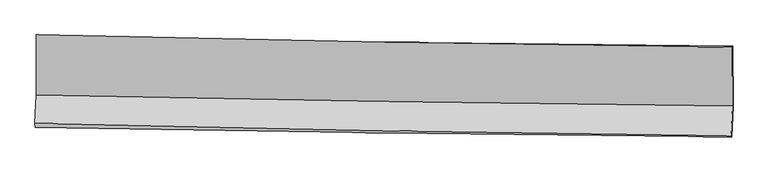
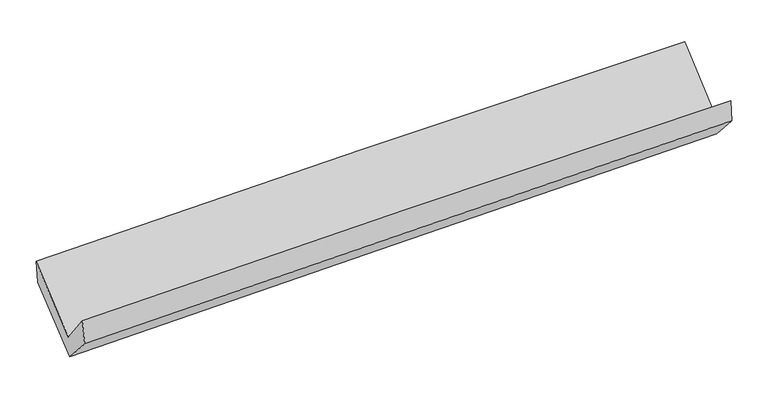
"""IFC4 building model written with IfcOpenShell, lengths in millimetres: proxy geometry."""

from ifc_helpers import new_model, si_unit, frame, origin, place, context, project, spatial, source, transform, mapped, element, save
from ifc_brep_helpers import plane_surface, spline_curve, spline_surface, advanced_brep


def generic_models_f701d5aa(model_context):
    return source(origin(), model_context, "Body", "AdvancedBrep", [
        advanced_brep(
        [(-3014.9981677, -1161.5761414, 2171.2820685), (-3013.6028344, -1683.2646431, 1735.2894573), (3004.403749, -1778.5625675, 1861.2552433), (3002.4997879, -1269.3140908, 2308.2511048), (-3026.2978335, -1931.1092754, 2055.6643093), (2991.2461342, -2035.3391963, 2193.3775651), (-3021.4844491, -1962.4843319, 1842.6751808), (2995.9818818, -2046.1135719, 1998.4951212), (-3009.1692344, -1698.4309619, 1549.1322969), (3008.2970965, -1782.0602019, 1704.9522373), (-3010.2551138, -1176.6318017, 1972.9852837), (3007.2112171, -1260.2610417, 2128.8052242)],
        [
            (0, 1),
            (1, 2, spline_curve(3, [(-3013.6028344, -1683.2646431, 1735.2894573), (-2010.962931833, -1704.132374807, 1767.526537464), (-1008.150259547, -1722.5076495, 1794.142150336), (997.851923854, -1754.273779967, 1836.131096843), (2001.041446519, -1767.664480017, 1851.504079074), (3004.403749, -1778.5625675, 1861.2552433)], [4, 2, 4], [0.0, 9.875524595887914, 19.75135738455826])),
            (2, 3),
            (3, 0, spline_curve(3, [(3002.4997879, -1269.3140908, 2308.2511048), (1999.047634763, -1259.131937331, 2301.525455608), (995.855574718, -1245.062497484, 2286.748240991), (-1009.977061056, -1209.149605087, 2241.091393021), (-2012.6176527, -1187.306395099, 2210.212262416), (-3014.9981677, -1161.5761414, 2171.2820685)], [4, 2, 4], [0.0, 9.875832788670348, 19.75135738455826])),
            (1, 4),
            (4, 5, spline_curve(3, [(-3026.2978335, -1931.1092754, 2055.6643093), (-2023.784844493, -1954.47135425, 2091.092097076), (-1021.074180346, -1974.838131524, 2120.28201362), (984.773796446, -2009.5816254, 2166.186821662), (1987.911121568, -2023.958154879, 2182.901323608), (2991.2461342, -2035.3391963, 2193.3775651)], [4, 2, 4], [0.0, 9.875458072965252, 19.75122433663691])),
            (5, 2),
            (4, 6),
            (6, 7, spline_curve(3, [(-3021.4844491, -1962.4843319, 1842.6751808), (-2018.768195979, -1980.179212172, 1874.213702585), (-1015.962368148, -1995.995676339, 1902.967799487), (989.859736845, -2023.872207036, 1954.907953368), (1992.876018741, -2035.932156239, 1978.093836707), (2995.9818818, -2046.1135719, 1998.4951212)], [4, 2, 4], [0.0, 9.875347623851383, 19.751003434962303])),
            (7, 5),
            (6, 8),
            (8, 9, spline_curve(3, [(-3009.1692344, -1698.4309619, 1549.1322969), (-2006.452981293, -1716.12584235, 1580.670818831), (-1003.647153383, -1731.942306398, 1609.424915585), (1002.174951479, -1759.818836977, 1661.36506967), (2005.191233558, -1771.878786204, 1684.550952749), (3008.2970965, -1782.0602019, 1704.9522373)], [4, 2, 4], [0.0, 9.875344783775665, 19.750997754722235])),
            (9, 7),
            (8, 10),
            (10, 11, spline_curve(3, [(-3010.2551138, -1176.6318017, 1972.9852837), (-2007.538860693, -1194.32668215, 2004.523805631), (-1004.733032783, -1210.143146198, 2033.277902385), (1001.089072079, -1238.019676777, 2085.21805647), (2004.105354158, -1250.079626004, 2108.403939649), (3007.2112171, -1260.2610417, 2128.8052242)], [4, 2, 4], [0.0, 9.875344783775665, 19.750997754722235])),
            (11, 9),
            (10, 0),
            (3, 11),
        ],
        [
            spline_surface(3, 3, [[(-3014.9981677, -1161.5761414, 2171.2820685), (-2012.617652786, -1187.306395165, 2210.212262301), (-1009.977060993, -1209.149605075, 2241.091393031), (995.855574654, -1245.062497496, 2286.748240981), (1999.047634701, -1259.131937374, 2301.525455689), (3002.4997879, -1269.3140908, 2308.2511048)], [(-3014.533056601, -1335.472308617, 2025.951198097), (-2012.066079088, -1359.581721745, 2062.650354063), (-1009.368127211, -1380.268953225, 2092.108312169), (996.521024453, -1414.79959163, 2136.542526211), (1999.712238616, -1428.642784937, 2151.518330185), (3003.1344416, -1439.063583012, 2159.25248432)], [(-3014.067945499, -1509.368475883, 1880.620327703), (-2011.514505385, -1531.857048376, 1915.088445836), (-1008.759193477, -1551.388301397, 1943.125231339), (997.186474204, -1584.536685785, 1986.336811473), (2000.376842532, -1598.153632562, 2001.511204621), (3003.7690953, -1608.813075288, 2010.25386378)], [(-3013.6028344, -1683.2646431, 1735.2894573), (-2010.962931687, -1704.132374956, 1767.526537599), (-1008.150259696, -1722.507649547, 1794.142150477), (997.851924002, -1754.273779919, 1836.131096703), (2001.041446447, -1767.664480125, 1851.504079117), (3004.403749, -1778.5625675, 1861.2552433)]], [4, 4], [4, 2, 4], [0.0, 2.2319889244462354], [0.0, 9.875524595887914, 19.75135738455826]),
            spline_surface(3, 3, [[(-3013.6028344, -1683.2646431, 1735.2894573), (-2010.962931687, -1704.132374956, 1767.526537599), (-1008.150259696, -1722.507649547, 1794.142150477), (997.851924002, -1754.273779919, 1836.131096703), (2001.041446447, -1767.664480125, 1851.504079117), (3004.403749, -1778.5625675, 1861.2552433)], [(-3017.834500773, -1765.879520559, 1842.081074641), (-2015.236902637, -1787.578701374, 1875.381724058), (-1012.458233299, -1806.617810202, 1902.855438212), (993.492548138, -1839.376395089, 1946.149671677), (1996.664671492, -1853.09570511, 1961.969827228), (3000.017877396, -1864.154777117, 1971.962683884)], [(-3022.066167127, -1848.494397941, 1948.872691959), (-2019.510873567, -1871.025027717, 1983.236910492), (-1016.766206803, -1890.727970849, 2011.568725934), (989.133172371, -1924.479010251, 2056.168246638), (1992.287896549, -1938.526930046, 2072.435575388), (2995.632005804, -1949.746986683, 2082.670124516)], [(-3026.2978335, -1931.1092754, 2055.6643093), (-2023.784844516, -1954.471354135, 2091.092096951), (-1021.074180406, -1974.838131504, 2120.282013669), (984.773796507, -2009.58162542, 2166.186821612), (1987.911121594, -2023.958155031, 2182.9013235), (2991.2461342, -2035.3391963, 2193.3775651)]], [4, 4], [4, 2, 4], [0.0, 1.3616134630219237], [0.0, 9.875458072965252, 19.75122433663691]),
            spline_surface(3, 3, [[(-3026.2978335, -1931.1092754, 2055.6643093), (-2023.784844516, -1954.471354135, 2091.092096951), (-1021.074180406, -1974.838131504, 2120.282013669), (984.773796507, -2009.58162542, 2166.186821612), (1987.911121594, -2023.958155031, 2182.9013235), (2991.2461342, -2035.3391963, 2193.3775651)], [(-3024.693372012, -1941.567627542, 1984.667933123), (-2022.112628367, -1963.040640166, 2018.799298861), (-1019.37024291, -1981.890646466, 2047.843942277), (986.469109934, -2014.345152604, 2095.76053222), (1989.566087357, -2027.949488746, 2114.632161264), (2992.824716735, -2038.930654822, 2128.416750479)], [(-3023.088910588, -1952.025979758, 1913.671556977), (-2020.440412282, -1971.609926272, 1946.506500804), (-1017.666305501, -1988.943161434, 1975.405870847), (988.164423274, -2019.108679796, 2025.334242792), (1991.221053116, -2031.940822493, 2046.362998992), (2994.403299265, -2042.522113378, 2063.455935821)], [(-3021.4844491, -1962.4843319, 1842.6751808), (-2018.768196133, -1980.179212304, 1874.213702714), (-1015.962368005, -1995.995676395, 1902.967799454), (989.859736702, -2023.87220698, 1954.907953401), (1992.876018878, -2035.932156207, 1978.093836756), (2995.9818818, -2046.1135719, 1998.4951212)]], [4, 4], [4, 2, 4], [0.0, 0.7056712484194325], [0.0, 9.875347623851383, 19.751003434962303]),
            spline_surface(3, 3, [[(-3021.4844491, -1962.4843319, 1842.6751808), (-2018.768196133, -1980.179212304, 1874.213702714), (-1015.962368005, -1995.995676395, 1902.967799454), (989.859736702, -2023.87220698, 1954.907953401), (1992.876018878, -2035.932156207, 1978.093836756), (2995.9818818, -2046.1135719, 1998.4951212)], [(-3017.37937754, -1874.466541903, 1744.827552846), (-2014.663124573, -1892.161422307, 1776.36607476), (-1011.857296445, -1907.977886398, 1805.1201715), (993.964808262, -1935.854416983, 1857.060325446), (1996.981090438, -1947.914366211, 1880.246208801), (3000.08695336, -1958.095781903, 1900.647493246)], [(-3013.27430596, -1786.448751897, 1646.979924854), (-2010.558052993, -1804.143632301, 1678.518446769), (-1007.752224865, -1819.960096392, 1707.272543608), (998.069879842, -1847.836626977, 1759.212697555), (2001.086162018, -1859.896576204, 1782.39858081), (3004.19202494, -1870.077991897, 1802.799865254)], [(-3009.1692344, -1698.4309619, 1549.1322969), (-2006.452981433, -1716.125842304, 1580.670818814), (-1003.647153305, -1731.942306395, 1609.424915654), (1002.174951402, -1759.81883698, 1661.365069601), (2005.191233578, -1771.878786207, 1684.550952856), (3008.2970965, -1782.0602019, 1704.9522373)]], [4, 4], [4, 2, 4], [0.0, 1.2960076366639708], [0.0, 9.875344783775665, 19.750997754722235]),
            spline_surface(3, 3, [[(-3009.1692344, -1698.4309619, 1549.1322969), (-2006.452981433, -1716.125842304, 1580.670818814), (-1003.647153305, -1731.942306395, 1609.424915654), (1002.174951402, -1759.81883698, 1661.365069601), (2005.191233578, -1771.878786207, 1684.550952856), (3008.2970965, -1782.0602019, 1704.9522373)], [(-3009.531194206, -1524.497908507, 1690.416625849), (-2006.814941239, -1542.192788911, 1721.955147763), (-1004.009113111, -1558.009253002, 1750.709244603), (1001.812991596, -1585.885783587, 1802.64939855), (2004.829273773, -1597.945732814, 1825.835281805), (3007.935136694, -1608.127148507, 1846.236566249)], [(-3009.893153994, -1350.564855093, 1831.700954751), (-2007.176901028, -1368.259735497, 1863.239476666), (-1004.371072899, -1384.076199588, 1891.993573505), (1001.451031807, -1411.952730173, 1943.933727452), (2004.467313984, -1424.0126794, 1967.119610807), (3007.573176906, -1434.194095093, 1987.520895251)], [(-3010.2551138, -1176.6318017, 1972.9852837), (-2007.538860833, -1194.326682104, 2004.523805614), (-1004.733032705, -1210.143146195, 2033.277902454), (1001.089072002, -1238.01967678, 2085.218056401), (2004.105354178, -1250.079626007, 2108.403939756), (3007.2112171, -1260.2610417, 2128.8052242)]], [4, 4], [4, 2, 4], [0.0, 2.2055612972422995], [0.0, 9.875344783775665, 19.750997754722235]),
            spline_surface(3, 3, [[(-3010.2551138, -1176.6318017, 1972.9852837), (-2007.538860833, -1194.326682104, 2004.523805614), (-1004.733032705, -1210.143146195, 2033.277902454), (1001.089072002, -1238.01967678, 2085.218056401), (2004.105354178, -1250.079626007, 2108.403939756), (3007.2112171, -1260.2610417, 2128.8052242)], [(-3011.836131768, -1171.613248273, 2039.084211945), (-2009.231791485, -1191.986586463, 2073.086624488), (-1006.481042134, -1209.811965818, 2102.549065979), (999.344572886, -1240.367283682, 2152.394784593), (2002.419447701, -1253.097063135, 2172.77777839), (3005.640740715, -1263.278724738, 2188.620517723)], [(-3013.417149732, -1166.594694827, 2105.183140255), (-2010.924722134, -1189.646490805, 2141.649443428), (-1008.229051564, -1209.480785452, 2171.820229506), (997.60007377, -1242.714890594, 2219.571512788), (2000.733541178, -1256.114500247, 2237.151617055), (3004.070264285, -1266.296407762, 2248.435811277)], [(-3014.9981677, -1161.5761414, 2171.2820685), (-2012.617652786, -1187.306395165, 2210.212262301), (-1009.977060993, -1209.149605075, 2241.091393031), (995.855574654, -1245.062497496, 2286.748240981), (1999.047634701, -1259.131937374, 2301.525455689), (3002.4997879, -1269.3140908, 2308.2511048)]], [4, 4], [4, 2, 4], [0.0, 0.6717884397251515], [0.0, 9.875395938364756, 19.751100065496836]),
            plane_surface(frame((3001.6066444, -1695.2751117, 2032.5227493), z_axis=(0.9995088326653062, -0.018479296328001396, 0.025310255456218234), x_axis=(-0.0016152788482132671, 0.7761922119507727, 0.6304942830678241))),
            plane_surface(frame((-3015.9679388, -1602.2495259, 1887.8380994), z_axis=(-0.9995088326652924, 0.018479296328277717, -0.025310255456558413), x_axis=(0.023843539811315047, -0.07568546397487233, -0.9968466261929037))),
        ],
        [
            (0, [[1, 2, 3, 4]]),
            (1, [[5, 6, 7, -2]]),
            (2, [[8, 9, 10, -6]]),
            (3, [[11, 12, 13, -9]]),
            (4, [[14, 15, 16, -12]]),
            (5, [[17, -4, 18, -15]]),
            (6, [[-16, -18, -3, -7, -10, -13]]),
            (7, [[-17, -14, -11, -8, -5, -1]]),
        ],
    ),
    ])


if __name__ == "__main__":
    model = new_model("IFC4")
    model_context = context("Model", 3, world=origin())
    ifc_project = project(units=[si_unit("LENGTHUNIT", "METRE", prefix="MILLI")], contexts=[model_context])
    site = spatial("IfcSite", under=ifc_project)
    building = spatial("IfcBuilding", under=site)
    placement = place(None, origin())
    generic_models_shape = generic_models_f701d5aa(model_context)
    element("IfcBuildingElementProxy", 1, Name="Generic Models", at=placement, inside=building, context=model_context, shape_type="MappedRepresentation", body=[
        mapped(generic_models_shape, transform((0.0, 0.0, 0.0), x_axis=(1.0, 0.0, 0.0), y_axis=(0.0, 1.0, 0.0), z_axis=(0.0, 0.0, 1.0))),
    ])
    save(model, "model.ifc")
